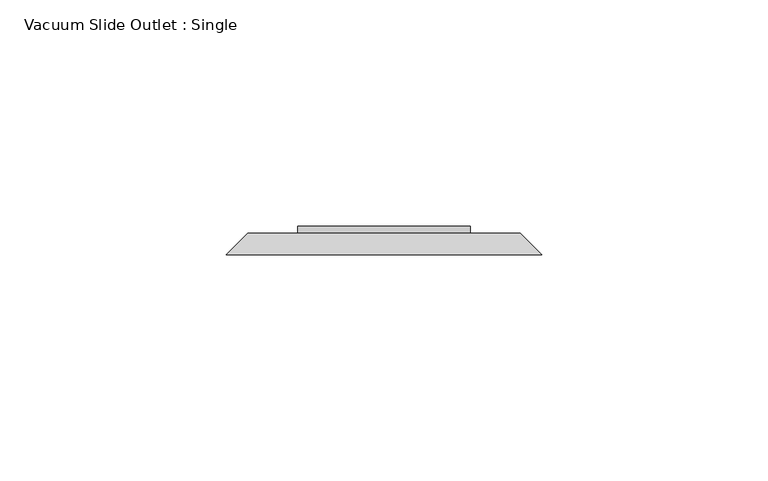
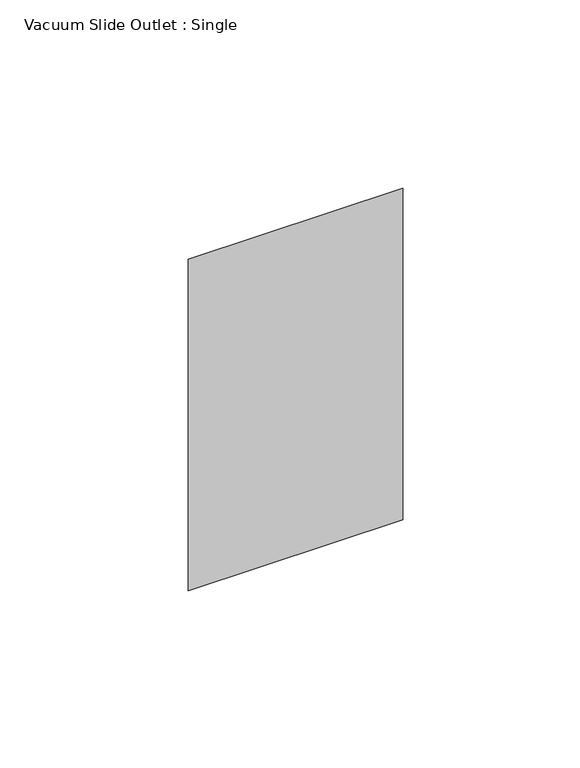
"""IFC4 building model written with IfcOpenShell, lengths in millimetres: proxy geometry, Vacuum Slide Outlet : Single."""

from ifc_helpers import new_model, si_unit, frame, origin, place, context, project, spatial, polyline, outline, extrude, faceted_brep, source, transform, mapped, element, save


def vacuum_slide_outlet_single_fa60efc4(model_context):
    return source(origin(), model_context, "Body", "SolidModel", [
        extrude(outline(polyline([(19.05, 66.675), (-19.05, 66.675), (-19.05, 68.2625), (19.05, 68.2625), (19.05, 66.675)])), frame((0.0, 0.0, 869.95), z_axis=(0.0, 0.0, 1.0), x_axis=(1.0, 0.0, 0.0)), (0.0, 0.0, 1.0), 88.9),
        faceted_brep([(-30.1625, 66.675, 966.7875), (30.1625, 66.675, 966.7875), (30.1625, 66.675, 862.0125), (-30.1625, 66.675, 862.0125), (-34.925, 61.9125, 971.55), (-34.925, 61.9125, 857.25), (34.925, 61.9125, 857.25), (34.925, 61.9125, 971.55)], [[[0, 1, 2, 3]], [[4, 5, 6, 7]], [[4, 7, 1, 0]], [[7, 6, 2, 1]], [[6, 5, 3, 2]], [[5, 4, 0, 3]]]),
    ])


if __name__ == "__main__":
    model = new_model("IFC4")
    model_context = context("Model", 3, world=origin())
    ifc_project = project(units=[si_unit("LENGTHUNIT", "METRE", prefix="MILLI")], contexts=[model_context])
    site = spatial("IfcSite", under=ifc_project)
    building = spatial("IfcBuilding", under=site)
    placement = place(None, origin())
    vacuum_slide_outlet_single_shape = vacuum_slide_outlet_single_fa60efc4(model_context)
    element("IfcBuildingElementProxy", 1, Name="Vacuum Slide Outlet : Single", ObjectType="Vacuum Slide Outlet : Single", at=placement, inside=building, context=model_context, shape_type="MappedRepresentation", body=[
        mapped(vacuum_slide_outlet_single_shape, transform((0.0, 0.0, 0.0), x_axis=(1.0, 0.0, 0.0), y_axis=(0.0, 1.0, 0.0), z_axis=(0.0, 0.0, 1.0))),
    ])
    save(model, "model.ifc")
